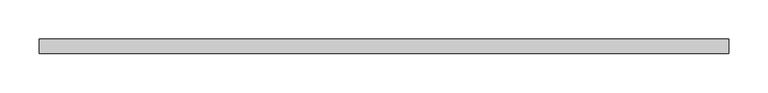
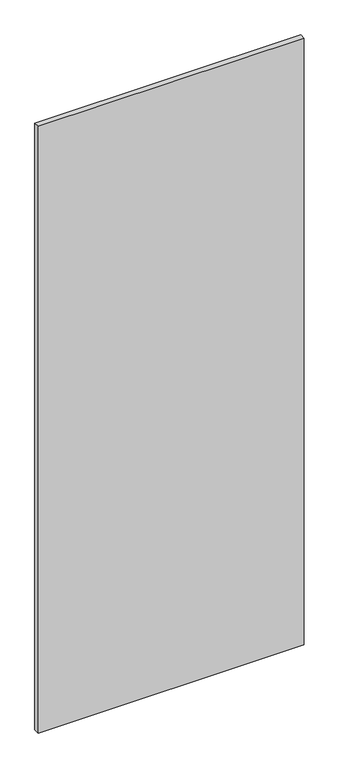
"""IFC4 building model written with IfcOpenShell, lengths in millimetres: proxy geometry."""

import ifcopenshell
import ifcopenshell.guid

model = None  # the IFC model being written
_history = None  # IfcOwnerHistory: only IFC2X3 demands one
_inside = {}  # id of a spatial element -> (the spatial element, [elements in it])
_under = {}  # id of a project, library or spatial element -> (it, [spatial elements below it])
_declared = {}  # id of a project -> (the project, [libraries it declares])
_typed = {}  # id of a type object -> (the type object, [elements of that type])
_made_of = {}  # id of a material, layer set ... -> (it, [elements and type objects made of it])


def new_model(schema):
    """Start an empty IFC model of exactly this schema.

    Asked for "IFC4X3", IfcOpenShell would pick the latest addendum, in which some entities
    have other attributes; the version numbers below select the first issue.
    IFC2X3 requires an IfcOwnerHistory on every rooted entity: one is made here for all.
    """
    global model, _history
    if schema == "IFC4X3":
        model = ifcopenshell.file(schema_version=(4, 3, 0, 0))
    else:
        model = ifcopenshell.file(schema=schema)
    _inside.clear()
    _under.clear()
    _declared.clear()
    _typed.clear()
    _made_of.clear()
    _history = None
    if model.schema == "IFC2X3":
        org = make("IfcOrganization", Name="unknown")
        user = make(
            "IfcPersonAndOrganization",
            ThePerson=make("IfcPerson", FamilyName="unknown"),
            TheOrganization=org,
        )
        app = make(
            "IfcApplication",
            ApplicationDeveloper=org,
            Version="unknown",
            ApplicationFullName="unknown",
            ApplicationIdentifier="unknown",
        )
        _history = make(
            "IfcOwnerHistory",
            OwningUser=user,
            OwningApplication=app,
            ChangeAction="ADDED",
            CreationDate=0,
        )
    return model


def make(cls, **values):
    """One entity of the class cls with the attributes given. An attribute that is None is left unset."""
    return model.create_entity(
        cls, **{name: value for name, value in values.items() if value is not None}
    )


def rooted(cls, **values):
    """An entity with a GlobalId (a new one), such as an element, a storey or a relation."""
    return make(cls, GlobalId=ifcopenshell.guid.new(), OwnerHistory=_history, **values)


def si_unit(unit_type, name, prefix=None):
    """IfcSIUnit, for example si_unit("LENGTHUNIT", "METRE", prefix="MILLI")."""
    return make("IfcSIUnit", UnitType=unit_type, Prefix=prefix, Name=name)


def assignment(units):
    """IfcUnitAssignment: the units of a project."""
    return None if units is None else make("IfcUnitAssignment", Units=units)


def point(xyz):
    """IfcCartesianPoint."""
    return None if xyz is None else make("IfcCartesianPoint", Coordinates=xyz)


def direction(xyz):
    """IfcDirection."""
    return None if xyz is None else make("IfcDirection", DirectionRatios=xyz)


def frame(location, z_axis=None, x_axis=None):
    """IfcAxis2Placement3D, a coordinate frame: its origin and axes. An axis left out is left unset."""
    return make(
        "IfcAxis2Placement3D",
        Location=point(location),
        Axis=direction(z_axis),
        RefDirection=direction(x_axis),
    )


def origin():
    """The frame at (0, 0, 0) with its axes left unset."""
    return frame((0.0, 0.0, 0.0))


def place(relative_to, where):
    """IfcLocalPlacement: puts the frame where relative to a parent placement (None: the world)."""
    return make(
        "IfcLocalPlacement", PlacementRelTo=relative_to, RelativePlacement=where
    )


def context(
    kind, dimensions, precision=None, world=None, true_north=None, identifier=None
):
    """IfcGeometricRepresentationContext, for example the 3D "Model" context."""
    return make(
        "IfcGeometricRepresentationContext",
        ContextIdentifier=identifier,
        ContextType=kind,
        CoordinateSpaceDimension=dimensions,
        Precision=precision,
        WorldCoordinateSystem=world,
        TrueNorth=true_north,
    )


def project(units=None, contexts=None):
    """IfcProject with its units and contexts."""
    return rooted(
        "IfcProject",
        Name="project",
        RepresentationContexts=contexts,
        UnitsInContext=assignment(units),
    )


def spatial(cls, under=None, at=None, **own):
    """A site, building, storey or space (cls), placed at a placement, below another one or the project."""
    s = rooted(cls, ObjectPlacement=at, **own)
    if under is not None:
        _under.setdefault(under.id(), (under, []))[1].append(s)
    return s


def polyline(points):
    """IfcPolyline through the points."""
    return make("IfcPolyline", Points=[point(p) for p in points])


def outline(outer, holes=None, kind="AREA"):
    """IfcArbitraryClosedProfileDef: a profile drawn as a closed curve; with holes, ...WithVoids."""
    if holes is None:
        return make("IfcArbitraryClosedProfileDef", ProfileType=kind, OuterCurve=outer)
    return make(
        "IfcArbitraryProfileDefWithVoids",
        ProfileType=kind,
        OuterCurve=outer,
        InnerCurves=holes,
    )


def extrude(swept, where, along, depth):
    """IfcExtrudedAreaSolid: the profile swept, set in the frame where, extruded along a direction by depth."""
    return make(
        "IfcExtrudedAreaSolid",
        SweptArea=swept,
        Position=where,
        ExtrudedDirection=direction(along),
        Depth=depth,
    )


def shape(context_of_items, identifier, shape_type, items):
    """IfcShapeRepresentation: the items that make up one representation, for example the "Body"."""
    return make(
        "IfcShapeRepresentation",
        ContextOfItems=context_of_items,
        RepresentationIdentifier=identifier,
        RepresentationType=shape_type,
        Items=items,
    )


def source(mapping_origin, context_of_items, identifier, shape_type, items):
    """IfcRepresentationMap: a shape defined once, which mapped items show again and again."""
    return make(
        "IfcRepresentationMap",
        MappingOrigin=mapping_origin,
        MappedRepresentation=shape(context_of_items, identifier, shape_type, items),
    )


def transform(
    local_origin,
    x_axis=None,
    y_axis=None,
    z_axis=None,
    scale=None,
    scale2=None,
    scale3=None,
    uniform=True,
):
    """IfcCartesianTransformationOperator3D, or its non-uniform kind. x_axis, y_axis, z_axis: its Axis1, 2, 3."""
    if uniform:
        return make(
            "IfcCartesianTransformationOperator3D",
            Axis1=direction(x_axis),
            Axis2=direction(y_axis),
            LocalOrigin=point(local_origin),
            Scale=scale,
            Axis3=direction(z_axis),
        )
    return make(
        "IfcCartesianTransformationOperator3DnonUniform",
        Axis1=direction(x_axis),
        Axis2=direction(y_axis),
        LocalOrigin=point(local_origin),
        Scale=scale,
        Axis3=direction(z_axis),
        Scale2=scale2,
        Scale3=scale3,
    )


def mapped(mapping_source, mapping_target):
    """IfcMappedItem: shows the shape of a source again, moved by a transform."""
    return make(
        "IfcMappedItem", MappingSource=mapping_source, MappingTarget=mapping_target
    )


def made_of(thing, what):
    """Note that an element or type object is made of a material, layer set ...; save() writes the relation."""
    if what is not None:
        _made_of.setdefault(what.id(), (what, []))[1].append(thing)
    return thing


def element(
    cls,
    number,
    at=None,
    inside=None,
    cuts=None,
    type_object=None,
    material=None,
    context=None,
    identifier="Body",
    shape_type=None,
    held_by="IfcProductDefinitionShape",
    body=None,
    shapes=None,
    **own,
):
    """One element of the class cls, such as IfcWall. Its Tag is "e" and its number.

    at: its placement. inside: the storey or other place that contains it. cuts: it is an
    opening in that element (IfcRelVoidsElement). A single representation is given by context,
    identifier, shape_type and body (its items); several are given by shapes. held_by: the class
    of the entity that holds the representations. save() writes the other relations.
    """
    e = rooted(cls, Tag="e%d" % number, ObjectPlacement=at, **own)
    if body is not None:
        shapes = [shape(context, identifier, shape_type, body)]
    if shapes is not None:
        e.Representation = make(held_by, Representations=shapes)
    if inside is not None:
        _inside.setdefault(inside.id(), (inside, []))[1].append(e)
    if cuts is not None:
        rooted(
            "IfcRelVoidsElement", RelatingBuildingElement=cuts, RelatedOpeningElement=e
        )
    if type_object is not None:
        _typed.setdefault(type_object.id(), (type_object, []))[1].append(e)
    return made_of(e, material)


def aggregate(whole, parts):
    """IfcRelAggregates: a whole, such as a stair, and the parts it consists of."""
    return rooted("IfcRelAggregates", RelatingObject=whole, RelatedObjects=parts)


def save(model, path):
    """Write the relations noted so far, then the file.

    IfcRelAggregates (storeys below a building ...), IfcRelContainedInSpatialStructure (elements
    in a storey), IfcRelDefinesByType, IfcRelAssociatesMaterial and IfcRelDeclares: one each for
    every whole, place, type object, material and project.
    """
    for whole, parts in _under.values():
        aggregate(whole, parts)
    for where, things in _inside.values():
        rooted(
            "IfcRelContainedInSpatialStructure",
            RelatedElements=things,
            RelatingStructure=where,
        )
    for kind, things in _typed.values():
        rooted("IfcRelDefinesByType", RelatedObjects=things, RelatingType=kind)
    for what, things in _made_of.values():
        rooted("IfcRelAssociatesMaterial", RelatedObjects=things, RelatingMaterial=what)
    for by, libraries in _declared.values():
        rooted("IfcRelDeclares", RelatingContext=by, RelatedDefinitions=libraries)
    model.write(path)


def specialty_equipment_9740c10c(model_context):
    return source(origin(), model_context, "Body", "SweptSolid", [
        extrude(outline(polyline([(441.5309122, -9.525), (-441.5309122, -9.525), (-441.5309122, 9.525), (441.5309122, 9.525), (441.5309122, -9.525)])), frame((0.0, 0.0, 3.175), z_axis=(0.0, 0.0, 1.0), x_axis=(1.0, 0.0, 0.0)), (0.0, 0.0, 1.0), 2127.25),
    ])


if __name__ == "__main__":
    model = new_model("IFC4")
    model_context = context("Model", 3, world=origin())
    ifc_project = project(units=[si_unit("LENGTHUNIT", "METRE", prefix="MILLI")], contexts=[model_context])
    site = spatial("IfcSite", under=ifc_project)
    building = spatial("IfcBuilding", under=site)
    placement = place(None, origin())
    specialty_equipment_shape = specialty_equipment_9740c10c(model_context)
    element("IfcBuildingElementProxy", 1, Name="Specialty Equipment", at=placement, inside=building, context=model_context, shape_type="MappedRepresentation", body=[
        mapped(specialty_equipment_shape, transform((0.0, 0.0, 0.0), x_axis=(1.0, 0.0, 0.0), y_axis=(0.0, 1.0, 0.0), z_axis=(0.0, 0.0, 1.0))),
    ])
    save(model, "model.ifc")
